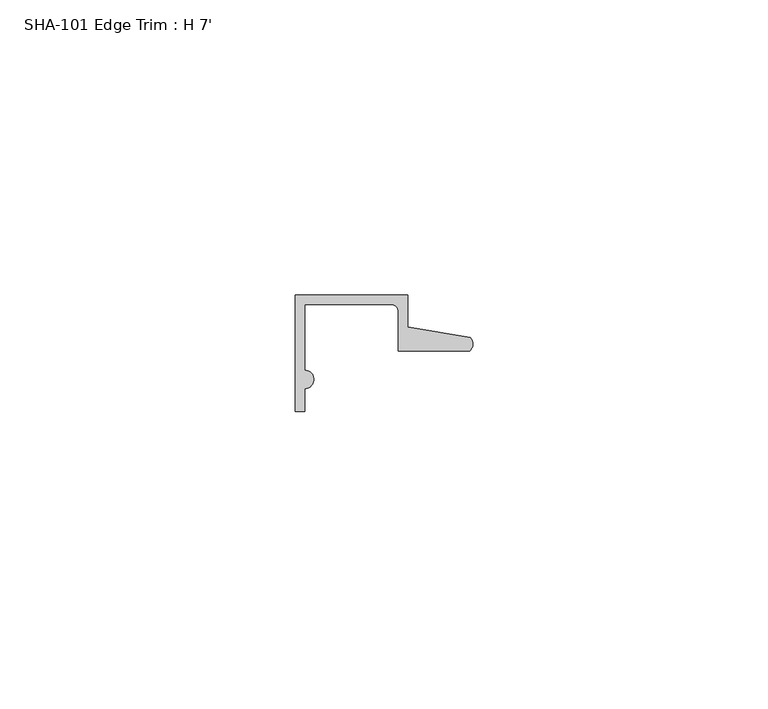
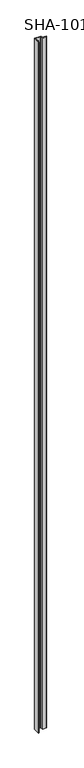
"""IFC4 building model written with IfcOpenShell, lengths in millimetres: proxy geometry, SHA-101 Edge Trim : H 7'."""

from ifc_helpers import new_model, si_unit, point, frame_2d, origin, origin_with_axes, place, context, project, spatial, polyline, circle_curve, trimmed, segment, composite_curve, outline, extrude, source, transform, mapped, element, save


def sha_101_edge_trim_h_7_c304af35(model_context):
    return source(origin(), model_context, "Body", "SweptSolid", [
        extrude(outline(composite_curve([segment(trimmed(circle_curve(frame_2d((1.5748, -14.2875)), 1.5748), [point((1.5748, -12.7127))], [point((1.5748, -15.8623))], False, "CARTESIAN"), True, "CONTINUOUS"), segment(polyline([(1.5748, -15.8623), (1.5748, -19.7327081), (0.0, -19.7327081), (0.0, 0.0), (19.0246, 0.0), (19.0246, -5.392657), (29.6006869, -7.2036308)]), True, "CONTINUOUS"), segment(trimmed(circle_curve(frame_2d((28.4438454, -8.3323235)), 1.6162393), [point((29.6006869, -7.2036308))], [point((29.5346031, -9.525))], False, "CARTESIAN"), True, "CONTINUOUS"), segment(polyline([(29.5346031, -9.525), (17.4498, -9.525), (17.4498, -2.8448)]), True, "CONTINUOUS"), segment(trimmed(circle_curve(frame_2d((16.1798, -2.8448)), 1.27), [point((17.4498, -2.8448))], [point((16.1798, -1.5748))], True, "CARTESIAN"), True, "CONTINUOUS"), segment(polyline([(16.1798, -1.5748), (1.5748, -1.5748), (1.5748, -12.7127)]), True, "CONTINUOUS")], self_intersect=False)), origin_with_axes(), (0.0, 0.0, 1.0), 2133.6),
    ])


if __name__ == "__main__":
    model = new_model("IFC4")
    model_context = context("Model", 3, world=origin())
    ifc_project = project(units=[si_unit("LENGTHUNIT", "METRE", prefix="MILLI")], contexts=[model_context])
    site = spatial("IfcSite", under=ifc_project)
    building = spatial("IfcBuilding", under=site)
    placement = place(None, origin())
    sha_101_edge_trim_h_7_shape = sha_101_edge_trim_h_7_c304af35(model_context)
    element("IfcBuildingElementProxy", 1, Name="SHA-101 Edge Trim : H 7'", ObjectType="SHA-101 Edge Trim : H 7'", at=placement, inside=building, context=model_context, shape_type="MappedRepresentation", body=[
        mapped(sha_101_edge_trim_h_7_shape, transform((0.0, 0.0, 0.0), x_axis=(1.0, 0.0, 0.0), y_axis=(0.0, 1.0, 0.0), z_axis=(0.0, 0.0, 1.0))),
    ])
    save(model, "model.ifc")
